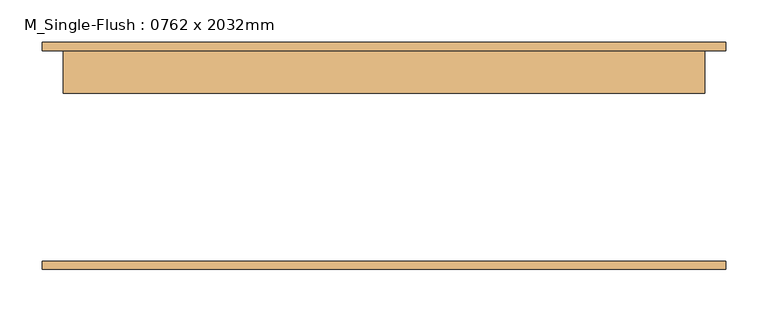
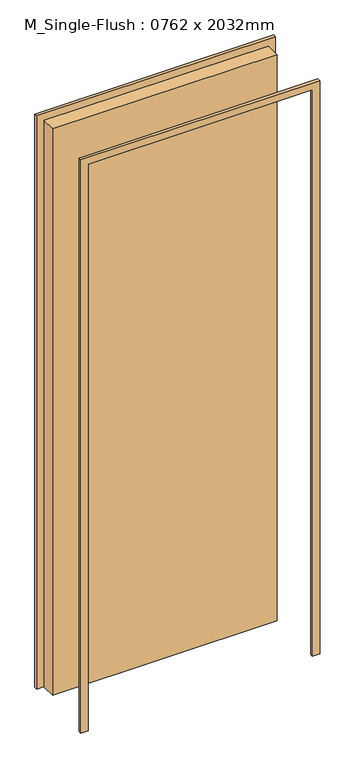
"""IFC4 building model written with IfcOpenShell, lengths in millimetres: door geometry, M_Single-Flush : 0762 x 2032mm."""

from ifc_helpers import new_model, si_unit, frame, origin, origin_with_axes, place, context, project, spatial, polyline, outline, extrude, source, transform, mapped, element, save


def m_single_flush_0762_x_2032mm_9e21ee77(model_context):
    return source(origin(), model_context, "Body", "SweptSolid", [
        extrude(outline(polyline([(2057.0, -406.0), (0.0, -406.0), (0.0, -381.0), (2032.0, -381.0), (2032.0, 381.0), (0.0, 381.0), (0.0, 406.0), (2057.0, 406.0), (2057.0, -406.0)])), frame((0.0, 125.0, 0.0), z_axis=(0.0, 1.0, 0.0), x_axis=(0.0, 0.0, 1.0)), (0.0, 0.0, 1.0), 10.0),
        extrude(outline(polyline([(2057.0, 406.0), (2057.0, -406.0), (0.0, -406.0), (0.0, -381.0), (2032.0, -381.0), (2032.0, 381.0), (0.0, 381.0), (0.0, 406.0), (2057.0, 406.0)])), frame((0.0, -135.0, 0.0), z_axis=(0.0, 1.0, 0.0), x_axis=(0.0, 0.0, 1.0)), (0.0, 0.0, 1.0), 10.0),
        extrude(outline(polyline([(381.0, 74.0), (-381.0, 74.0), (-381.0, 125.0), (381.0, 125.0), (381.0, 74.0)])), origin_with_axes(), (0.0, 0.0, 1.0), 2032.0),
    ])


if __name__ == "__main__":
    model = new_model("IFC4")
    model_context = context("Model", 3, world=origin())
    ifc_project = project(units=[si_unit("LENGTHUNIT", "METRE", prefix="MILLI")], contexts=[model_context])
    site = spatial("IfcSite", under=ifc_project)
    building = spatial("IfcBuilding", under=site)
    placement = place(None, origin())
    m_single_flush_0762_x_2032mm_shape = m_single_flush_0762_x_2032mm_9e21ee77(model_context)
    element("IfcDoor", 1, ObjectType="M_Single-Flush : 0762 x 2032mm", at=placement, inside=building, context=model_context, shape_type="MappedRepresentation", body=[
        mapped(m_single_flush_0762_x_2032mm_shape, transform((0.0, 0.0, 0.0), x_axis=(1.0, 0.0, 0.0), y_axis=(0.0, 1.0, 0.0), z_axis=(0.0, 0.0, 1.0))),
    ])
    save(model, "model.ifc")
